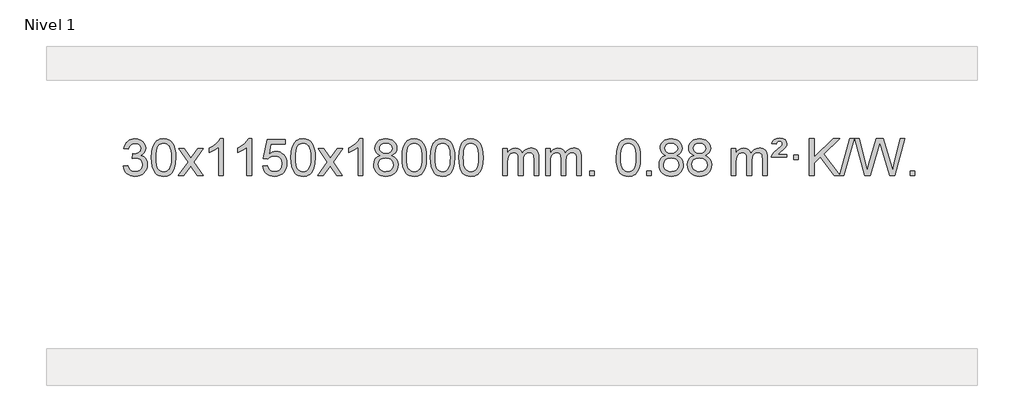
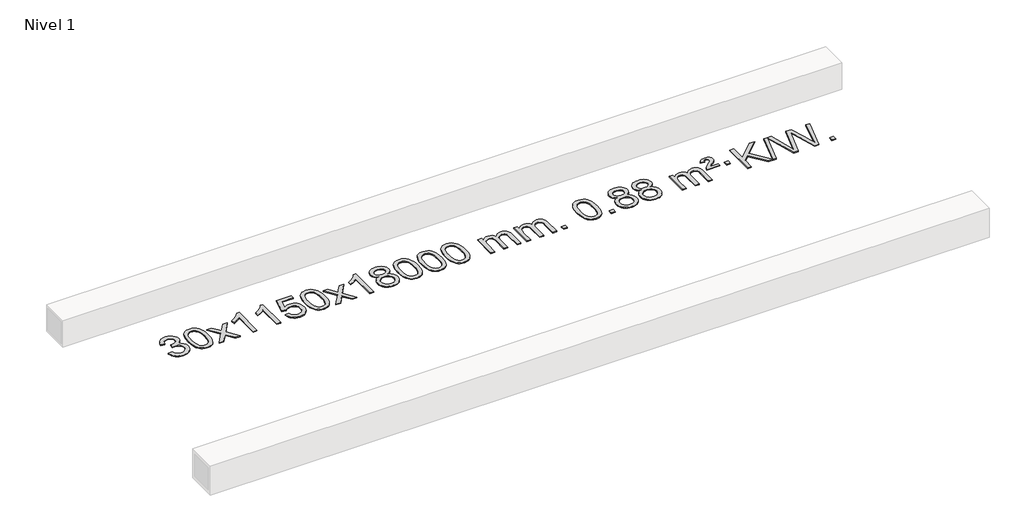
# One storey, part 4 of 4: 1 proxy.
"""IFC4 building model written with IfcOpenShell, lengths in millimetres."""

from ifc_helpers import new_model, si_unit, origin, origin_with_axes, place, context, project, spatial, polyline, outline, extrude, element, save

model = new_model("IFC4")

# Units and contexts
model_context = context("Model", 3, world=origin())
ifc_project = project(units=[si_unit("LENGTHUNIT", "METRE", prefix="MILLI")], contexts=[model_context])

# Site, building, storey
site = spatial("IfcSite", under=ifc_project)
building = spatial("IfcBuilding", under=site)
storey = spatial("IfcBuildingStorey", under=building, Name="Nivel 1", Elevation=0.0)

# Proxy
placement = place(None, origin())
element("IfcBuildingElementProxy", 1, Name="Texto de modelo 1", ObjectType="Texto de modelo 1", at=placement, inside=storey, context=model_context, shape_type="SweptSolid", body=[
    extrude(outline(polyline([(-19164.9669637, 2390.4100258), (-19114.7388086, 2396.6885452), (-19103.4938823, 2365.12427), (-19087.0250316, 2343.8116398), (-19064.5229163, 2331.6715339), (-19035.1781958, 2327.624832), (-19000.744441, 2333.1921129), (-18986.4706196, 2340.1512139), (-18974.1588355, 2349.8939554), (-18957.1626873, 2374.8118292), (-18951.4973046, 2405.0272038), (-18957.1136364, 2433.7097367), (-18973.9626318, 2456.9721415), (-18999.4691168, 2472.3863971), (-19031.0579174, 2477.5244823), (-19066.2764871, 2472.0307778), (-19060.6846808, 2522.2589329), (-19052.6403278, 2521.6703217), (-19022.5475806, 2525.2755653), (-18995.643144, 2536.0912959), (-18984.569896, 2544.270539), (-18976.6604331, 2554.3872938), (-18971.9147553, 2566.4415605), (-18970.3328628, 2580.4333391), (-18974.919125, 2602.1261141), (-18988.6779116, 2619.7231362), (-19009.6717108, 2631.3849954), (-19035.9630107, 2635.2722818), (-19062.3033616, 2631.3482072), (-19083.836721, 2619.5759834), (-19099.5575449, 2599.9556103), (-19108.4602892, 2572.487088), (-19158.6884443, 2578.7656074), (-19152.7348873, 2602.7453821), (-19143.8995881, 2623.86794), (-19132.1825465, 2642.133281), (-19117.5837627, 2657.5414053), (-19100.5630891, 2669.7734816), (-19081.5803781, 2678.510679), (-19060.6356298, 2683.7529974), (-19037.7288443, 2685.5004369), (-19006.1523064, 2682.0546089), (-18977.1509424, 2671.7171248), (-18952.6990525, 2655.4076897), (-18934.7709366, 2634.0460085), (-18923.7712649, 2609.434703), (-18920.1047077, 2583.376395), (-18923.5873239, 2559.0961834), (-18934.0351726, 2537.0723146), (-18951.3011009, 2518.3103328), (-18975.237956, 2503.8157822), (-18943.7963082, 2491.1115907), (-18920.4971152, 2469.4801293), (-18906.0761409, 2440.0986207), (-18901.2691495, 2404.144287), (-18903.6726452, 2378.6623275), (-18910.8831323, 2355.1914562), (-18922.9006109, 2333.7316731), (-18939.7250808, 2314.2829783), (-18960.2222393, 2298.1452214), (-18983.2577835, 2286.6182523), (-19008.8317136, 2279.7020708), (-19036.9440294, 2277.3966769), (-19062.3524125, 2279.3648456), (-19085.5044527, 2285.2693516), (-19106.40015, 2295.110195), (-19125.0395045, 2308.8873757), (-19140.6683579, 2325.7915534), (-19152.5325522, 2345.0133876), (-19160.6320875, 2366.5528785), (-19164.9669637, 2390.4100258)])), origin_with_axes(), (0.0, 0.0, 1.0), 10.0),
    extrude(outline(polyline([(-18857.3195138, 2481.350455), (-18853.6284312, 2545.6684905), (-18842.5551831, 2596.9635034), (-18824.2101343, 2636.0203086), (-18812.3520713, 2651.2536888), (-18798.7036493, 2663.6237209), (-18783.218883, 2673.1947842), (-18765.8517871, 2680.0312579), (-18725.4706068, 2685.5004369), (-18694.5194682, 2682.2630753), (-18666.8056913, 2672.5509907), (-18643.6291256, 2656.7443276), (-18626.2896209, 2635.2232309), (-18613.1930218, 2608.1716415), (-18602.7451732, 2575.7735005), (-18595.9025681, 2534.6320307), (-18593.6216997, 2481.350455), (-18597.2759942, 2417.4003016), (-18608.2388776, 2366.227916), (-18626.4735619, 2327.1343227), (-18638.3040337, 2311.8549571), (-18651.9432587, 2299.4205457), (-18667.4464191, 2289.7851031), (-18684.8686972, 2282.9026441), (-18725.4706068, 2277.3966769), (-18753.1353328, 2279.7879099), (-18777.6607992, 2286.9616088), (-18799.0470058, 2298.9177736), (-18817.2939528, 2315.6564044), (-18834.8051357, 2345.9146985), (-18847.3131236, 2383.6164717), (-18854.8179163, 2428.7617238), (-18857.3195138, 2481.350455)]), holes=[polyline([(-18807.0913588, 2481.4485569), (-18805.6198308, 2437.7840298), (-18801.2052468, 2402.4397671), (-18793.8476069, 2375.4157689), (-18783.5469111, 2356.7120351), (-18771.0879742, 2343.9863837), (-18757.2556112, 2334.8966328), (-18742.049822, 2329.4427822), (-18725.4706068, 2327.624832), (-18708.8913915, 2329.4489136), (-18693.6856024, 2334.9211582), (-18679.8532394, 2344.041566), (-18667.3943025, 2356.8101369), (-18657.0936066, 2375.5445276), (-18649.7359667, 2402.5623944), (-18645.3213828, 2437.8637375), (-18643.8498548, 2481.4485569), (-18645.2723318, 2523.9573215), (-18649.539763, 2558.6792504), (-18656.6521482, 2585.6143438), (-18666.6094875, 2604.7626017), (-18678.859958, 2618.1105868), (-18692.8517365, 2627.6448618), (-18708.5848232, 2633.3654268), (-18726.059218, 2635.2722818), (-18742.5525941, 2633.5922874), (-18757.5008658, 2628.5523041), (-18770.9040332, 2620.1523318), (-18782.7620962, 2608.3923707), (-18793.4061486, 2587.5457243), (-18801.0090431, 2559.4395399), (-18805.5707799, 2524.0738174), (-18807.0913588, 2481.4485569)])]), origin_with_axes(), (0.0, 0.0, 1.0), 10.0),
    extrude(outline(polyline([(-18568.5076222, 2283.6751963), (-18461.1841814, 2432.0052168), (-18562.2291028, 2578.7656074), (-18501.7983537, 2578.7656074), (-18453.0417266, 2508.1322643), (-18430.2820938, 2474.7776301), (-18410.5636189, 2502.0499486), (-18355.0379631, 2578.7656074), (-18294.607214, 2578.7656074), (-18400.7534324, 2432.0052168), (-18298.5312886, 2283.6751963), (-18358.9620377, 2283.6751963), (-18420.4719073, 2372.8497919), (-18431.7536218, 2389.1347016), (-18508.0768731, 2283.6751963), (-18568.5076222, 2283.6751963)])), origin_with_axes(), (0.0, 0.0, 1.0), 10.0),
    extrude(outline(polyline([(-18078.7831102, 2283.6751963), (-18129.0112653, 2283.6751963), (-18129.0112653, 2596.8163506), (-18149.980539, 2579.8569906), (-18176.59067, 2562.9221561), (-18229.4675754, 2537.5628239), (-18229.4675754, 2585.0441268), (-18190.0183628, 2606.5039098), (-18155.8421254, 2632.0349203), (-18128.9009007, 2659.1846115), (-18111.1567258, 2685.5004369), (-18078.7831102, 2685.5004369), (-18078.7831102, 2283.6751963)])), origin_with_axes(), (0.0, 0.0, 1.0), 10.0),
    extrude(outline(polyline([(-17771.1356604, 2283.6751963), (-17821.3638154, 2283.6751963), (-17821.3638154, 2596.8163506), (-17842.3330892, 2579.8569906), (-17868.9432201, 2562.9221561), (-17921.8201256, 2537.5628239), (-17921.8201256, 2585.0441268), (-17882.370913, 2606.5039098), (-17848.1946756, 2632.0349203), (-17821.2534508, 2659.1846115), (-17803.5092759, 2685.5004369), (-17771.1356604, 2685.5004369), (-17771.1356604, 2283.6751963)])), origin_with_axes(), (0.0, 0.0, 1.0), 10.0),
    extrude(outline(polyline([(-17651.8437921, 2390.4100258), (-17601.615637, 2396.6885452), (-17592.3940616, 2366.5344844), (-17576.3053557, 2344.9398112), (-17553.4230956, 2331.9535768), (-17523.8208577, 2327.624832), (-17504.690994, 2329.1300825), (-17487.8174731, 2333.645834), (-17473.2002952, 2341.1720865), (-17460.8394602, 2351.7088399), (-17451.0108795, 2364.7349283), (-17443.9904648, 2379.7291852), (-17438.374133, 2415.6222052), (-17443.6348455, 2449.4182979), (-17450.2107362, 2463.3365), (-17459.4169831, 2475.2681394), (-17471.2842431, 2484.8392026), (-17485.8431731, 2491.6756764), (-17523.0360428, 2497.1448554), (-17547.4020936, 2494.9620889), (-17567.1328313, 2488.4137894), (-17582.8904434, 2478.3828736), (-17595.3371176, 2465.7522585), (-17645.5652727, 2472.0307778), (-17601.615637, 2679.2219175), (-17406.9815361, 2679.2219175), (-17406.9815361, 2628.9937624), (-17561.0014647, 2628.9937624), (-17582.4857732, 2518.3348583), (-17564.7599924, 2531.0390499), (-17546.605016, 2540.1134724), (-17528.0208438, 2545.5581259), (-17509.0074761, 2547.3730104), (-17484.5463891, 2545.1227989), (-17462.0779962, 2538.3721643), (-17441.6022975, 2527.1211066), (-17423.1192929, 2511.3696259), (-17407.8184676, 2492.0803466), (-17396.8893067, 2470.2158933), (-17390.3318101, 2445.7762661), (-17388.1459779, 2418.7614649), (-17390.1141466, 2392.7399451), (-17396.0186526, 2368.5333099), (-17405.859496, 2346.1415591), (-17419.6366767, 2325.5646928), (-17440.5078486, 2304.4911859), (-17464.8616366, 2289.4386809), (-17492.6980409, 2280.4071779), (-17524.0170615, 2277.3966769), (-17549.9374137, 2279.3311231), (-17573.350037, 2285.1344616), (-17594.2549314, 2294.8066923), (-17612.6520968, 2308.3478154), (-17627.9590535, 2325.0833805), (-17639.5933216, 2344.3389373), (-17647.5549011, 2366.1144857), (-17651.8437921, 2390.4100258)])), origin_with_axes(), (0.0, 0.0, 1.0), 10.0),
    extrude(outline(polyline([(-17344.1963422, 2481.350455), (-17340.5052595, 2545.6684905), (-17329.4320115, 2596.9635034), (-17311.0869627, 2636.0203086), (-17299.2288997, 2651.2536888), (-17285.5804777, 2663.6237209), (-17270.0957113, 2673.1947842), (-17252.7286155, 2680.0312579), (-17212.3474351, 2685.5004369), (-17181.3962966, 2682.2630753), (-17153.6825196, 2672.5509907), (-17130.505954, 2656.7443276), (-17113.1664492, 2635.2232309), (-17100.0698502, 2608.1716415), (-17089.6220016, 2575.7735005), (-17082.7793964, 2534.6320307), (-17080.4985281, 2481.350455), (-17084.1528226, 2417.4003016), (-17095.115706, 2366.227916), (-17113.3503902, 2327.1343227), (-17125.1808621, 2311.8549571), (-17138.820087, 2299.4205457), (-17154.3232475, 2289.7851031), (-17171.7455256, 2282.9026441), (-17212.3474351, 2277.3966769), (-17240.0121612, 2279.7879099), (-17264.5376275, 2286.9616088), (-17285.9238342, 2298.9177736), (-17304.1707811, 2315.6564044), (-17321.6819641, 2345.9146985), (-17334.1899519, 2383.6164717), (-17341.6947446, 2428.7617238), (-17344.1963422, 2481.350455)]), holes=[polyline([(-17293.9681871, 2481.4485569), (-17292.4966592, 2437.7840298), (-17288.0820752, 2402.4397671), (-17280.7244353, 2375.4157689), (-17270.4237395, 2356.7120351), (-17257.9648025, 2343.9863837), (-17244.1324395, 2334.8966328), (-17228.9266504, 2329.4427822), (-17212.3474351, 2327.624832), (-17195.7682199, 2329.4489136), (-17180.5624308, 2334.9211582), (-17166.7300677, 2344.041566), (-17154.2711308, 2356.8101369), (-17143.970435, 2375.5445276), (-17136.6127951, 2402.5623944), (-17132.1982111, 2437.8637375), (-17130.7266831, 2481.4485569), (-17132.1491602, 2523.9573215), (-17136.4165913, 2558.6792504), (-17143.5289766, 2585.6143438), (-17153.4863159, 2604.7626017), (-17165.7367864, 2618.1105868), (-17179.7285649, 2627.6448618), (-17195.4616516, 2633.3654268), (-17212.9360463, 2635.2722818), (-17229.4294225, 2633.5922874), (-17244.3776942, 2628.5523041), (-17257.7808616, 2620.1523318), (-17269.6389245, 2608.3923707), (-17280.2829769, 2587.5457243), (-17287.8858715, 2559.4395399), (-17292.4476082, 2524.0738174), (-17293.9681871, 2481.4485569)])]), origin_with_axes(), (0.0, 0.0, 1.0), 10.0),
    extrude(outline(polyline([(-17055.3844505, 2283.6751963), (-16948.0610098, 2432.0052168), (-17049.1059312, 2578.7656074), (-16988.6751821, 2578.7656074), (-16939.918555, 2508.1322643), (-16917.1589222, 2474.7776301), (-16897.4404473, 2502.0499486), (-16841.9147915, 2578.7656074), (-16781.4840424, 2578.7656074), (-16887.6302607, 2432.0052168), (-16785.408117, 2283.6751963), (-16845.8388661, 2283.6751963), (-16907.3487357, 2372.8497919), (-16918.6304502, 2389.1347016), (-16994.9537015, 2283.6751963), (-17055.3844505, 2283.6751963)])), origin_with_axes(), (0.0, 0.0, 1.0), 10.0),
    extrude(outline(polyline([(-16565.6599386, 2283.6751963), (-16615.8880936, 2283.6751963), (-16615.8880936, 2596.8163506), (-16636.8573674, 2579.8569906), (-16663.4674983, 2562.9221561), (-16716.3444038, 2537.5628239), (-16716.3444038, 2585.0441268), (-16676.8951912, 2606.5039098), (-16642.7189538, 2632.0349203), (-16615.777729, 2659.1846115), (-16598.0335541, 2685.5004369), (-16565.6599386, 2685.5004369), (-16565.6599386, 2283.6751963)])), origin_with_axes(), (0.0, 0.0, 1.0), 10.0),
    extrude(outline(polyline([(-16373.1840787, 2504.9930046), (-16400.0762525, 2518.2367564), (-16418.9485989, 2536.1893978), (-16430.0954233, 2558.4830467), (-16433.8110315, 2584.7498212), (-16431.7876805, 2605.2347169), (-16425.7176276, 2624.0150928), (-16415.6008727, 2641.0909487), (-16401.4374159, 2656.4622848), (-16383.9078388, 2669.1664763), (-16363.6927232, 2678.2408989), (-16340.792069, 2683.6855524), (-16315.2058762, 2685.5004369), (-16289.4970561, 2683.6426328), (-16266.4247237, 2678.0692206), (-16245.9888788, 2668.7802002), (-16228.1895216, 2655.7755717), (-16213.7685474, 2640.1037987), (-16203.4678516, 2622.8133449), (-16197.2874341, 2603.9042104), (-16195.2272949, 2583.376395), (-16198.8938521, 2557.9557492), (-16209.8935238, 2536.042245), (-16228.3489372, 2518.1999682), (-16254.3827197, 2504.9930046), (-16223.4683694, 2489.0637142), (-16200.966254, 2465.6051057), (-16187.2442556, 2435.7453504), (-16182.6702561, 2400.6126198), (-16184.9388617, 2375.559856), (-16191.7446787, 2352.5917567), (-16203.0877068, 2331.7083221), (-16218.9679463, 2312.9095522), (-16238.5515312, 2297.3726693), (-16261.0045956, 2286.2748957), (-16286.3271396, 2279.6162316), (-16314.5191632, 2277.3966769), (-16342.7111867, 2279.6254287), (-16368.0337307, 2286.3116839), (-16390.4867952, 2297.4554427), (-16410.0703801, 2313.056705), (-16425.9506195, 2331.9872993), (-16437.2936477, 2353.1190543), (-16444.0994646, 2376.4519698), (-16446.3680703, 2401.986046), (-16441.6101298, 2438.4799399), (-16427.3363084, 2468.4991107), (-16404.28237, 2491.0134888), (-16373.1840787, 2504.9930046)]), holes=[polyline([(-16383.5828764, 2583.2782932), (-16379.1315043, 2561.3525263), (-16365.7773878, 2543.8413433), (-16343.9129346, 2532.363425), (-16313.930552, 2528.5374523), (-16284.6471452, 2532.3388996), (-16263.1137857, 2543.7432414), (-16249.8700339, 2560.6658132), (-16245.45545, 2581.0219503), (-16250.0171867, 2602.1506395), (-16263.7023969, 2619.6250343), (-16285.530062, 2631.3604699), (-16314.5191632, 2635.2722818), (-16343.6922054, 2631.4463091), (-16365.4830822, 2619.9683908), (-16379.0579279, 2603.1439209), (-16383.5828764, 2583.2782932)]), polyline([(-16396.1399152, 2403.7518795), (-16394.0429878, 2384.5361766), (-16387.7522057, 2365.9336104), (-16376.1393974, 2349.7100144), (-16358.0763914, 2337.6312223), (-16336.4449301, 2330.1264296), (-16314.1267557, 2327.624832), (-16279.9382556, 2332.8855445), (-16266.044579, 2339.4614352), (-16254.2846178, 2348.6676821), (-16238.2449629, 2372.5677491), (-16232.8984112, 2402.1822497), (-16238.4166411, 2432.2995224), (-16254.9713309, 2456.7268868), (-16267.0501231, 2466.1691914), (-16281.2135799, 2472.9136946), (-16315.7944874, 2478.3092972), (-16349.5047409, 2472.987271), (-16363.2420678, 2466.3347383), (-16374.9008613, 2457.0211924), (-16390.8301517, 2433.0598118), (-16396.1399152, 2403.7518795)])]), origin_with_axes(), (0.0, 0.0, 1.0), 10.0),
    extrude(outline(polyline([(-16138.7206204, 2481.350455), (-16135.0295377, 2545.6684905), (-16123.9562897, 2596.9635034), (-16105.6112409, 2636.0203086), (-16093.7531779, 2651.2536888), (-16080.1047559, 2663.6237209), (-16064.6199895, 2673.1947842), (-16047.2528937, 2680.0312579), (-16006.8717134, 2685.5004369), (-15975.9205748, 2682.2630753), (-15948.2067979, 2672.5509907), (-15925.0302322, 2656.7443276), (-15907.6907275, 2635.2232309), (-15894.5941284, 2608.1716415), (-15884.1462798, 2575.7735005), (-15877.3036746, 2534.6320307), (-15875.0228063, 2481.350455), (-15878.6771008, 2417.4003016), (-15889.6399842, 2366.227916), (-15907.8746684, 2327.1343227), (-15919.7051403, 2311.8549571), (-15933.3443652, 2299.4205457), (-15948.8475257, 2289.7851031), (-15966.2698038, 2282.9026441), (-16006.8717134, 2277.3966769), (-16034.5364394, 2279.7879099), (-16059.0619057, 2286.9616088), (-16080.4481124, 2298.9177736), (-16098.6950593, 2315.6564044), (-16116.2062423, 2345.9146985), (-16128.7142302, 2383.6164717), (-16136.2190229, 2428.7617238), (-16138.7206204, 2481.350455)]), holes=[polyline([(-16088.4924653, 2481.4485569), (-16087.0209374, 2437.7840298), (-16082.6063534, 2402.4397671), (-16075.2487135, 2375.4157689), (-16064.9480177, 2356.7120351), (-16052.4890808, 2343.9863837), (-16038.6567177, 2334.8966328), (-16023.4509286, 2329.4427822), (-16006.8717134, 2327.624832), (-15990.2924981, 2329.4489136), (-15975.086709, 2334.9211582), (-15961.2543459, 2344.041566), (-15948.795409, 2356.8101369), (-15938.4947132, 2375.5445276), (-15931.1370733, 2402.5623944), (-15926.7224893, 2437.8637375), (-15925.2509614, 2481.4485569), (-15926.6734384, 2523.9573215), (-15930.9408695, 2558.6792504), (-15938.0532548, 2585.6143438), (-15948.0105941, 2604.7626017), (-15960.2610646, 2618.1105868), (-15974.2528431, 2627.6448618), (-15989.9859298, 2633.3654268), (-16007.4603245, 2635.2722818), (-16023.9537007, 2633.5922874), (-16038.9019724, 2628.5523041), (-16052.3051398, 2620.1523318), (-16064.1632027, 2608.3923707), (-16074.8072551, 2587.5457243), (-16082.4101497, 2559.4395399), (-16086.9718864, 2524.0738174), (-16088.4924653, 2481.4485569)])]), origin_with_axes(), (0.0, 0.0, 1.0), 10.0),
    extrude(outline(polyline([(-15831.0731706, 2481.350455), (-15827.3820879, 2545.6684905), (-15816.3088398, 2596.9635034), (-15797.963791, 2636.0203086), (-15786.105728, 2651.2536888), (-15772.457306, 2663.6237209), (-15756.9725397, 2673.1947842), (-15739.6054439, 2680.0312579), (-15699.2242635, 2685.5004369), (-15668.273125, 2682.2630753), (-15640.559348, 2672.5509907), (-15617.3827823, 2656.7443276), (-15600.0432776, 2635.2232309), (-15586.9466786, 2608.1716415), (-15576.4988299, 2575.7735005), (-15569.6562248, 2534.6320307), (-15567.3753564, 2481.350455), (-15571.0296509, 2417.4003016), (-15581.9925344, 2366.227916), (-15600.2272186, 2327.1343227), (-15612.0576904, 2311.8549571), (-15625.6969154, 2299.4205457), (-15641.2000758, 2289.7851031), (-15658.622354, 2282.9026441), (-15699.2242635, 2277.3966769), (-15726.8889896, 2279.7879099), (-15751.4144559, 2286.9616088), (-15772.8006626, 2298.9177736), (-15791.0476095, 2315.6564044), (-15808.5587925, 2345.9146985), (-15821.0667803, 2383.6164717), (-15828.571573, 2428.7617238), (-15831.0731706, 2481.350455)]), holes=[polyline([(-15780.8450155, 2481.4485569), (-15779.3734875, 2437.7840298), (-15774.9589036, 2402.4397671), (-15767.6012637, 2375.4157689), (-15757.3005678, 2356.7120351), (-15744.8416309, 2343.9863837), (-15731.0092679, 2334.8966328), (-15715.8034788, 2329.4427822), (-15699.2242635, 2327.624832), (-15682.6450483, 2329.4489136), (-15667.4392591, 2334.9211582), (-15653.6068961, 2344.041566), (-15641.1479592, 2356.8101369), (-15630.8472633, 2375.5445276), (-15623.4896234, 2402.5623944), (-15619.0750395, 2437.8637375), (-15617.6035115, 2481.4485569), (-15619.0259886, 2523.9573215), (-15623.2934197, 2558.6792504), (-15630.405805, 2585.6143438), (-15640.3631443, 2604.7626017), (-15652.6136147, 2618.1105868), (-15666.6053933, 2627.6448618), (-15682.3384799, 2633.3654268), (-15699.8128747, 2635.2722818), (-15716.3062508, 2633.5922874), (-15731.2545226, 2628.5523041), (-15744.6576899, 2620.1523318), (-15756.5157529, 2608.3923707), (-15767.1598053, 2587.5457243), (-15774.7626999, 2559.4395399), (-15779.3244366, 2524.0738174), (-15780.8450155, 2481.4485569)])]), origin_with_axes(), (0.0, 0.0, 1.0), 10.0),
    extrude(outline(polyline([(-15523.4257208, 2481.350455), (-15519.7346381, 2545.6684905), (-15508.66139, 2596.9635034), (-15490.3163412, 2636.0203086), (-15478.4582782, 2651.2536888), (-15464.8098562, 2663.6237209), (-15449.3250899, 2673.1947842), (-15431.957994, 2680.0312579), (-15391.5768137, 2685.5004369), (-15360.6256752, 2682.2630753), (-15332.9118982, 2672.5509907), (-15309.7353325, 2656.7443276), (-15292.3958278, 2635.2232309), (-15279.2992288, 2608.1716415), (-15268.8513801, 2575.7735005), (-15262.008775, 2534.6320307), (-15259.7279066, 2481.350455), (-15263.3822011, 2417.4003016), (-15274.3450846, 2366.227916), (-15292.5797688, 2327.1343227), (-15304.4102406, 2311.8549571), (-15318.0494656, 2299.4205457), (-15333.552626, 2289.7851031), (-15350.9749041, 2282.9026441), (-15391.5768137, 2277.3966769), (-15419.2415397, 2279.7879099), (-15443.7670061, 2286.9616088), (-15465.1532127, 2298.9177736), (-15483.4001597, 2315.6564044), (-15500.9113427, 2345.9146985), (-15513.4193305, 2383.6164717), (-15520.9241232, 2428.7617238), (-15523.4257208, 2481.350455)]), holes=[polyline([(-15473.1975657, 2481.4485569), (-15471.7260377, 2437.7840298), (-15467.3114538, 2402.4397671), (-15459.9538139, 2375.4157689), (-15449.653118, 2356.7120351), (-15437.1941811, 2343.9863837), (-15423.3618181, 2334.8966328), (-15408.1560289, 2329.4427822), (-15391.5768137, 2327.624832), (-15374.9975984, 2329.4489136), (-15359.7918093, 2334.9211582), (-15345.9594463, 2344.041566), (-15333.5005094, 2356.8101369), (-15323.1998135, 2375.5445276), (-15315.8421736, 2402.5623944), (-15311.4275897, 2437.8637375), (-15309.9560617, 2481.4485569), (-15311.3785387, 2523.9573215), (-15315.6459699, 2558.6792504), (-15322.7583551, 2585.6143438), (-15332.7156945, 2604.7626017), (-15344.9661649, 2618.1105868), (-15358.9579434, 2627.6448618), (-15374.6910301, 2633.3654268), (-15392.1654249, 2635.2722818), (-15408.658801, 2633.5922874), (-15423.6070727, 2628.5523041), (-15437.0102401, 2620.1523318), (-15448.8683031, 2608.3923707), (-15459.5123555, 2587.5457243), (-15467.11525, 2559.4395399), (-15471.6769868, 2524.0738174), (-15473.1975657, 2481.4485569)])]), origin_with_axes(), (0.0, 0.0, 1.0), 10.0),
    extrude(outline(polyline([(-15046.2582475, 2283.6751963), (-15046.2582475, 2578.7656074), (-14996.0300925, 2578.7656074), (-14996.0300925, 2530.205184), (-14980.9224052, 2552.5110956), (-14961.4982359, 2569.9854904), (-14938.419772, 2581.2794677), (-14912.3492013, 2585.0441268), (-14884.4146951, 2581.2058913), (-14862.0229444, 2569.6911848), (-14845.2965763, 2551.2602969), (-14834.3582183, 2526.6735169), (-14816.0499577, 2552.2106587), (-14795.1665231, 2570.4514743), (-14771.7079145, 2581.3959636), (-14745.674132, 2585.0441268), (-14725.5663153, 2583.5266135), (-14707.9171766, 2578.9740738), (-14692.7267159, 2571.3865077), (-14679.9949331, 2560.7639151), (-14669.9302949, 2546.9836687), (-14662.7412676, 2529.9231411), (-14658.4278512, 2509.5823325), (-14656.9900457, 2485.9612427), (-14656.9900457, 2283.6751963), (-14707.2182008, 2283.6751963), (-14707.2182008, 2464.3788323), (-14708.3831604, 2489.4315962), (-14711.8780394, 2506.3173798), (-14718.4263389, 2517.8811372), (-14728.7515602, 2526.9678224), (-14742.0321003, 2532.8539344), (-14757.4463559, 2534.8159717), (-14784.6573608, 2529.7882511), (-14806.8406451, 2514.7050893), (-14815.4460181, 2503.1352005), (-14821.5927131, 2488.5364167), (-14826.5100691, 2450.2521637), (-14826.5100691, 2283.6751963), (-14876.7382242, 2283.6751963), (-14876.7382242, 2469.9706387), (-14879.6444919, 2498.3711287), (-14888.3632952, 2518.6291639), (-14903.7039744, 2530.7692697), (-14926.4758699, 2534.8159717), (-14945.8264629, 2532.1181704), (-14963.6564769, 2524.0247665), (-14978.3717567, 2510.7319637), (-14988.378147, 2492.4359658), (-14994.1171061, 2467.0521082), (-14996.0300925, 2432.4957261), (-14996.0300925, 2283.6751963), (-15046.2582475, 2283.6751963)])), origin_with_axes(), (0.0, 0.0, 1.0), 10.0),
    extrude(outline(polyline([(-14581.6478131, 2283.6751963), (-14581.6478131, 2578.7656074), (-14531.419658, 2578.7656074), (-14531.419658, 2530.205184), (-14516.3119708, 2552.5110956), (-14496.8878014, 2569.9854904), (-14473.8093376, 2581.2794677), (-14447.7387669, 2585.0441268), (-14419.8042607, 2581.2058913), (-14397.4125099, 2569.6911848), (-14380.6861419, 2551.2602969), (-14369.7477839, 2526.6735169), (-14351.4395233, 2552.2106587), (-14330.5560887, 2570.4514743), (-14307.0974801, 2581.3959636), (-14281.0636976, 2585.0441268), (-14260.9558809, 2583.5266135), (-14243.3067421, 2578.9740738), (-14228.1162814, 2571.3865077), (-14215.3844987, 2560.7639151), (-14205.3198605, 2546.9836687), (-14198.1308331, 2529.9231411), (-14193.8174167, 2509.5823325), (-14192.3796113, 2485.9612427), (-14192.3796113, 2283.6751963), (-14242.6077663, 2283.6751963), (-14242.6077663, 2464.3788323), (-14243.772726, 2489.4315962), (-14247.267605, 2506.3173798), (-14253.8159045, 2517.8811372), (-14264.1411258, 2526.9678224), (-14277.4216658, 2532.8539344), (-14292.8359214, 2534.8159717), (-14320.0469263, 2529.7882511), (-14342.2302106, 2514.7050893), (-14350.8355836, 2503.1352005), (-14356.9822786, 2488.5364167), (-14361.8996347, 2450.2521637), (-14361.8996347, 2283.6751963), (-14412.1277897, 2283.6751963), (-14412.1277897, 2469.9706387), (-14415.0340575, 2498.3711287), (-14423.7528608, 2518.6291639), (-14439.09354, 2530.7692697), (-14461.8654355, 2534.8159717), (-14481.2160284, 2532.1181704), (-14499.0460425, 2524.0247665), (-14513.7613223, 2510.7319637), (-14523.7677125, 2492.4359658), (-14529.5066717, 2467.0521082), (-14531.419658, 2432.4957261), (-14531.419658, 2283.6751963), (-14581.6478131, 2283.6751963)])), origin_with_axes(), (0.0, 0.0, 1.0), 10.0),
    extrude(outline(polyline([(-14104.4803399, 2283.6751963), (-14104.4803399, 2333.9033514), (-14054.2521848, 2333.9033514), (-14054.2521848, 2283.6751963), (-14104.4803399, 2283.6751963)])), origin_with_axes(), (0.0, 0.0, 1.0), 10.0),
    extrude(outline(polyline([(-13815.6684482, 2481.350455), (-13811.9773655, 2545.6684905), (-13800.9041175, 2596.9635034), (-13782.5590686, 2636.0203086), (-13770.7010057, 2651.2536888), (-13757.0525836, 2663.6237209), (-13741.5678173, 2673.1947842), (-13724.2007215, 2680.0312579), (-13683.8195411, 2685.5004369), (-13652.8684026, 2682.2630753), (-13625.1546256, 2672.5509907), (-13601.9780599, 2656.7443276), (-13584.6385552, 2635.2232309), (-13571.5419562, 2608.1716415), (-13561.0941075, 2575.7735005), (-13554.2515024, 2534.6320307), (-13551.9706341, 2481.350455), (-13555.6249286, 2417.4003016), (-13566.587812, 2366.227916), (-13584.8224962, 2327.1343227), (-13596.6529681, 2311.8549571), (-13610.292193, 2299.4205457), (-13625.7953535, 2289.7851031), (-13643.2176316, 2282.9026441), (-13683.8195411, 2277.3966769), (-13711.4842672, 2279.7879099), (-13736.0097335, 2286.9616088), (-13757.3959402, 2298.9177736), (-13775.6428871, 2315.6564044), (-13793.1540701, 2345.9146985), (-13805.6620579, 2383.6164717), (-13813.1668506, 2428.7617238), (-13815.6684482, 2481.350455)]), holes=[polyline([(-13765.4402931, 2481.4485569), (-13763.9687652, 2437.7840298), (-13759.5541812, 2402.4397671), (-13752.1965413, 2375.4157689), (-13741.8958454, 2356.7120351), (-13729.4369085, 2343.9863837), (-13715.6045455, 2334.8966328), (-13700.3987564, 2329.4427822), (-13683.8195411, 2327.624832), (-13667.2403259, 2329.4489136), (-13652.0345368, 2334.9211582), (-13638.2021737, 2344.041566), (-13625.7432368, 2356.8101369), (-13615.442541, 2375.5445276), (-13608.0849011, 2402.5623944), (-13603.6703171, 2437.8637375), (-13602.1987891, 2481.4485569), (-13603.6212662, 2523.9573215), (-13607.8886973, 2558.6792504), (-13615.0010826, 2585.6143438), (-13624.9584219, 2604.7626017), (-13637.2088924, 2618.1105868), (-13651.2006709, 2627.6448618), (-13666.9337576, 2633.3654268), (-13684.4081523, 2635.2722818), (-13700.9015285, 2633.5922874), (-13715.8498002, 2628.5523041), (-13729.2529675, 2620.1523318), (-13741.1110305, 2608.3923707), (-13751.7550829, 2587.5457243), (-13759.3579775, 2559.4395399), (-13763.9197142, 2524.0738174), (-13765.4402931, 2481.4485569)])]), origin_with_axes(), (0.0, 0.0, 1.0), 10.0),
    extrude(outline(polyline([(-13482.9069208, 2283.6751963), (-13482.9069208, 2333.9033514), (-13432.6787658, 2333.9033514), (-13432.6787658, 2283.6751963), (-13482.9069208, 2283.6751963)])), origin_with_axes(), (0.0, 0.0, 1.0), 10.0),
    extrude(outline(polyline([(-13277.8740222, 2504.9930046), (-13304.766196, 2518.2367564), (-13323.6385424, 2536.1893978), (-13334.7853669, 2558.4830467), (-13338.500975, 2584.7498212), (-13336.477624, 2605.2347169), (-13330.4075711, 2624.0150928), (-13320.2908162, 2641.0909487), (-13306.1273594, 2656.4622848), (-13288.5977824, 2669.1664763), (-13268.3826667, 2678.2408989), (-13245.4820125, 2683.6855524), (-13219.8958198, 2685.5004369), (-13194.1869997, 2683.6426328), (-13171.1146672, 2678.0692206), (-13150.6788224, 2668.7802002), (-13132.8794652, 2655.7755717), (-13118.458491, 2640.1037987), (-13108.1577951, 2622.8133449), (-13101.9773776, 2603.9042104), (-13099.9172384, 2583.376395), (-13103.5837956, 2557.9557492), (-13114.5834673, 2536.042245), (-13133.0388807, 2518.1999682), (-13159.0726632, 2504.9930046), (-13128.1583129, 2489.0637142), (-13105.6561975, 2465.6051057), (-13091.9341991, 2435.7453504), (-13087.3601996, 2400.6126198), (-13089.6288053, 2375.559856), (-13096.4346222, 2352.5917567), (-13107.7776504, 2331.7083221), (-13123.6578898, 2312.9095522), (-13143.2414747, 2297.3726693), (-13165.6945391, 2286.2748957), (-13191.0170831, 2279.6162316), (-13219.2091067, 2277.3966769), (-13247.4011303, 2279.6254287), (-13272.7236743, 2286.3116839), (-13295.1767387, 2297.4554427), (-13314.7603236, 2313.056705), (-13330.640563, 2331.9872993), (-13341.9835912, 2353.1190543), (-13348.7894081, 2376.4519698), (-13351.0580138, 2401.986046), (-13346.3000733, 2438.4799399), (-13332.0262519, 2468.4991107), (-13308.9723135, 2491.0134888), (-13277.8740222, 2504.9930046)]), holes=[polyline([(-13300.8298587, 2403.7518795), (-13298.7329313, 2384.5361766), (-13292.4421492, 2365.9336104), (-13280.8293409, 2349.7100144), (-13262.7663349, 2337.6312223), (-13241.1348736, 2330.1264296), (-13218.8166992, 2327.624832), (-13184.6281992, 2332.8855445), (-13170.7345225, 2339.4614352), (-13158.9745614, 2348.6676821), (-13142.9349064, 2372.5677491), (-13137.5883547, 2402.1822497), (-13143.1065846, 2432.2995224), (-13159.6612744, 2456.7268868), (-13171.7400666, 2466.1691914), (-13185.9035234, 2472.9136946), (-13220.4844309, 2478.3092972), (-13254.1946844, 2472.987271), (-13267.9320113, 2466.3347383), (-13279.5908048, 2457.0211924), (-13295.5200952, 2433.0598118), (-13300.8298587, 2403.7518795)]), polyline([(-13288.2728199, 2583.2782932), (-13283.8214478, 2561.3525263), (-13270.4673314, 2543.8413433), (-13248.6028781, 2532.363425), (-13218.6204955, 2528.5374523), (-13189.3370887, 2532.3388996), (-13167.8037292, 2543.7432414), (-13154.5599774, 2560.6658132), (-13150.1453935, 2581.0219503), (-13154.7071302, 2602.1506395), (-13168.3923404, 2619.6250343), (-13190.2200055, 2631.3604699), (-13219.2091067, 2635.2722818), (-13248.3821489, 2631.4463091), (-13270.1730258, 2619.9683908), (-13283.7478714, 2603.1439209), (-13288.2728199, 2583.2782932)])]), origin_with_axes(), (0.0, 0.0, 1.0), 10.0),
    extrude(outline(polyline([(-12970.2265724, 2504.9930046), (-12997.1187462, 2518.2367564), (-13015.9910926, 2536.1893978), (-13027.137917, 2558.4830467), (-13030.8535252, 2584.7498212), (-13028.8301742, 2605.2347169), (-13022.7601213, 2624.0150928), (-13012.6433664, 2641.0909487), (-12998.4799096, 2656.4622848), (-12980.9503325, 2669.1664763), (-12960.7352169, 2678.2408989), (-12937.8345627, 2683.6855524), (-12912.2483699, 2685.5004369), (-12886.5395498, 2683.6426328), (-12863.4672174, 2678.0692206), (-12843.0313725, 2668.7802002), (-12825.2320153, 2655.7755717), (-12810.8110411, 2640.1037987), (-12800.5103453, 2622.8133449), (-12794.3299277, 2603.9042104), (-12792.2697886, 2583.376395), (-12795.9363458, 2557.9557492), (-12806.9360174, 2536.042245), (-12825.3914309, 2518.1999682), (-12851.4252134, 2504.9930046), (-12820.5108631, 2489.0637142), (-12798.0087477, 2465.6051057), (-12784.2867493, 2435.7453504), (-12779.7127498, 2400.6126198), (-12781.9813554, 2375.559856), (-12788.7871723, 2352.5917567), (-12800.1302005, 2331.7083221), (-12816.01044, 2312.9095522), (-12835.5940249, 2297.3726693), (-12858.0470893, 2286.2748957), (-12883.3696333, 2279.6162316), (-12911.5616569, 2277.3966769), (-12939.7536804, 2279.6254287), (-12965.0762244, 2286.3116839), (-12987.5292889, 2297.4554427), (-13007.1128737, 2313.056705), (-13022.9931132, 2331.9872993), (-13034.3361414, 2353.1190543), (-13041.1419583, 2376.4519698), (-13043.4105639, 2401.986046), (-13038.6526235, 2438.4799399), (-13024.3788021, 2468.4991107), (-13001.3248637, 2491.0134888), (-12970.2265724, 2504.9930046)]), holes=[polyline([(-12980.6253701, 2583.2782932), (-12976.173998, 2561.3525263), (-12962.8198815, 2543.8413433), (-12940.9554283, 2532.363425), (-12910.9730457, 2528.5374523), (-12881.6896389, 2532.3388996), (-12860.1562794, 2543.7432414), (-12846.9125276, 2560.6658132), (-12842.4979436, 2581.0219503), (-12847.0596804, 2602.1506395), (-12860.7448906, 2619.6250343), (-12882.5725556, 2631.3604699), (-12911.5616569, 2635.2722818), (-12940.7346991, 2631.4463091), (-12962.5255759, 2619.9683908), (-12976.1004216, 2603.1439209), (-12980.6253701, 2583.2782932)]), polyline([(-12993.1824089, 2403.7518795), (-12991.0854815, 2384.5361766), (-12984.7946994, 2365.9336104), (-12973.1818911, 2349.7100144), (-12955.1188851, 2337.6312223), (-12933.4874238, 2330.1264296), (-12911.1692494, 2327.624832), (-12876.9807493, 2332.8855445), (-12863.0870726, 2339.4614352), (-12851.3271115, 2348.6676821), (-12835.2874565, 2372.5677491), (-12829.9409049, 2402.1822497), (-12835.4591348, 2432.2995224), (-12852.0138246, 2456.7268868), (-12864.0926168, 2466.1691914), (-12878.2560736, 2472.9136946), (-12912.8369811, 2478.3092972), (-12946.5472346, 2472.987271), (-12960.2845614, 2466.3347383), (-12971.943355, 2457.0211924), (-12987.8726454, 2433.0598118), (-12993.1824089, 2403.7518795)])]), origin_with_axes(), (0.0, 0.0, 1.0), 10.0),
    extrude(outline(polyline([(-12566.2430907, 2283.6751963), (-12566.2430907, 2578.7656074), (-12516.0149357, 2578.7656074), (-12516.0149357, 2530.205184), (-12500.9072484, 2552.5110956), (-12481.483079, 2569.9854904), (-12458.4046152, 2581.2794677), (-12432.3340445, 2585.0441268), (-12404.3995383, 2581.2058913), (-12382.0077875, 2569.6911848), (-12365.2814195, 2551.2602969), (-12354.3430615, 2526.6735169), (-12336.0348009, 2552.2106587), (-12315.1513663, 2570.4514743), (-12291.6927577, 2581.3959636), (-12265.6589752, 2585.0441268), (-12245.5511585, 2583.5266135), (-12227.9020198, 2578.9740738), (-12212.711559, 2571.3865077), (-12199.9797763, 2560.7639151), (-12189.9151381, 2546.9836687), (-12182.7261108, 2529.9231411), (-12178.4126944, 2509.5823325), (-12176.9748889, 2485.9612427), (-12176.9748889, 2283.6751963), (-12227.203044, 2283.6751963), (-12227.203044, 2464.3788323), (-12228.3680036, 2489.4315962), (-12231.8628826, 2506.3173798), (-12238.4111821, 2517.8811372), (-12248.7364034, 2526.9678224), (-12262.0169434, 2532.8539344), (-12277.431199, 2534.8159717), (-12304.642204, 2529.7882511), (-12326.8254883, 2514.7050893), (-12335.4308613, 2503.1352005), (-12341.5775563, 2488.5364167), (-12346.4949123, 2450.2521637), (-12346.4949123, 2283.6751963), (-12396.7230673, 2283.6751963), (-12396.7230673, 2469.9706387), (-12399.6293351, 2498.3711287), (-12408.3481384, 2518.6291639), (-12423.6888176, 2530.7692697), (-12446.4607131, 2534.8159717), (-12465.811306, 2532.1181704), (-12483.6413201, 2524.0247665), (-12498.3565999, 2510.7319637), (-12508.3629902, 2492.4359658), (-12514.1019493, 2467.0521082), (-12516.0149357, 2432.4957261), (-12516.0149357, 2283.6751963), (-12566.2430907, 2283.6751963)])), origin_with_axes(), (0.0, 0.0, 1.0), 10.0),
    extrude(outline(polyline([(-12133.0252532, 2484.5878166), (-12129.1992805, 2500.4067424), (-12120.8606219, 2516.2747191), (-12099.3517879, 2541.4133221), (-12067.3951053, 2569.1516246), (-12023.2492658, 2606.5284353), (-12016.1123551, 2618.0554045), (-12013.7333849, 2629.8766792), (-12015.6218458, 2641.9677341), (-12021.2872285, 2651.7533952), (-12030.6559567, 2658.2281183), (-12043.6544538, 2660.3863594), (-12056.0888653, 2658.7676786), (-12064.9425586, 2653.9116363), (-12071.3682308, 2644.4448062), (-12076.5185787, 2628.9937624), (-12126.7467338, 2635.2722818), (-12115.9064777, 2660.4844612), (-12099.2782115, 2678.0446951), (-12075.5130346, 2688.345391), (-12043.2620464, 2691.7789563), (-12007.479391, 2687.6464152), (-11982.7331954, 2675.248792), (-11968.3122212, 2656.9160059), (-11963.5052298, 2634.9779762), (-11967.6009827, 2612.0711907), (-11979.8882413, 2590.4397294), (-12000.4160567, 2570.6231525), (-12036.8854251, 2542.566019), (-12062.490012, 2515.9804135), (-11963.5052298, 2515.9804135), (-11963.5052298, 2484.5878166), (-12133.0252532, 2484.5878166)])), origin_with_axes(), (0.0, 0.0, 1.0), 10.0),
    extrude(outline(polyline([(-11888.1629972, 2459.4737391), (-11888.1629972, 2509.7018941), (-11837.9348421, 2509.7018941), (-11837.9348421, 2459.4737391), (-11888.1629972, 2459.4737391)])), origin_with_axes(), (0.0, 0.0, 1.0), 10.0),
    extrude(outline(polyline([(-11447.2932142, 2283.6751963), (-11600.7245317, 2486.3536502), (-11668.4148188, 2421.8026228), (-11668.4148188, 2283.6751963), (-11718.6429738, 2283.6751963), (-11718.6429738, 2685.5004369), (-11668.4148188, 2685.5004369), (-11668.4148188, 2488.8061968), (-11462.4009015, 2685.5004369), (-11392.1599659, 2685.5004369), (-11565.1135545, 2520.2968956), (-11390.4599447, 2289.7197161), (-11279.1466169, 2685.5004369), (-11233.8235551, 2685.5004369), (-11346.836904, 2283.6751963), (-11385.8814465, 2283.6751963), (-11392.1599659, 2283.6751963), (-11447.2932142, 2283.6751963)])), origin_with_axes(), (0.0, 0.0, 1.0), 10.0),
    extrude(outline(polyline([(-11119.3386782, 2283.6751963), (-11228.9184619, 2685.5004369), (-11177.1206769, 2685.5004369), (-11113.5506682, 2421.4102153), (-11093.9302951, 2339.8875652), (-11072.9364959, 2411.9924362), (-10993.2777812, 2685.5004369), (-10918.6222617, 2685.5004369), (-10860.7421611, 2487.236567), (-10835.9469146, 2413.6601679), (-10817.6754422, 2339.8875652), (-10798.6436803, 2419.0557705), (-10734.4850603, 2685.5004369), (-10682.6872754, 2685.5004369), (-10792.3651609, 2283.6751963), (-10846.0268813, 2283.6751963), (-10942.3629131, 2593.6770909), (-10955.8028686, 2636.9400135), (-10970.9105559, 2584.847923), (-11058.7117254, 2283.6751963), (-11119.3386782, 2283.6751963)])), origin_with_axes(), (0.0, 0.0, 1.0), 10.0),
    extrude(outline(polyline([(-10626.180601, 2283.6751963), (-10626.180601, 2333.9033514), (-10575.9524459, 2333.9033514), (-10575.9524459, 2283.6751963), (-10626.180601, 2283.6751963)])), origin_with_axes(), (0.0, 0.0, 1.0), 10.0),
])

save(model, "model.ifc")
